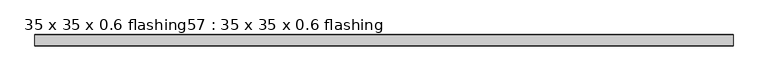
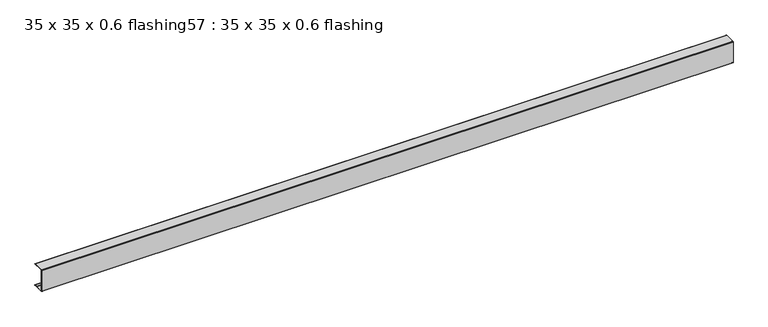
"""IFC4 building model written with IfcOpenShell, lengths in millimetres: proxy geometry, 35 x 35 x 0.6 flashing57 : 35 x 35 x 0.6 flashing."""

import ifcopenshell
import ifcopenshell.guid

model = None  # the IFC model being written
_history = None  # IfcOwnerHistory: only IFC2X3 demands one
_inside = {}  # id of a spatial element -> (the spatial element, [elements in it])
_under = {}  # id of a project, library or spatial element -> (it, [spatial elements below it])
_declared = {}  # id of a project -> (the project, [libraries it declares])
_typed = {}  # id of a type object -> (the type object, [elements of that type])
_made_of = {}  # id of a material, layer set ... -> (it, [elements and type objects made of it])


def new_model(schema):
    """Start an empty IFC model of exactly this schema.

    Asked for "IFC4X3", IfcOpenShell would pick the latest addendum, in which some entities
    have other attributes; the version numbers below select the first issue.
    IFC2X3 requires an IfcOwnerHistory on every rooted entity: one is made here for all.
    """
    global model, _history
    if schema == "IFC4X3":
        model = ifcopenshell.file(schema_version=(4, 3, 0, 0))
    else:
        model = ifcopenshell.file(schema=schema)
    _inside.clear()
    _under.clear()
    _declared.clear()
    _typed.clear()
    _made_of.clear()
    _history = None
    if model.schema == "IFC2X3":
        org = make("IfcOrganization", Name="unknown")
        user = make(
            "IfcPersonAndOrganization",
            ThePerson=make("IfcPerson", FamilyName="unknown"),
            TheOrganization=org,
        )
        app = make(
            "IfcApplication",
            ApplicationDeveloper=org,
            Version="unknown",
            ApplicationFullName="unknown",
            ApplicationIdentifier="unknown",
        )
        _history = make(
            "IfcOwnerHistory",
            OwningUser=user,
            OwningApplication=app,
            ChangeAction="ADDED",
            CreationDate=0,
        )
    return model


def make(cls, **values):
    """One entity of the class cls with the attributes given. An attribute that is None is left unset."""
    return model.create_entity(
        cls, **{name: value for name, value in values.items() if value is not None}
    )


def rooted(cls, **values):
    """An entity with a GlobalId (a new one), such as an element, a storey or a relation."""
    return make(cls, GlobalId=ifcopenshell.guid.new(), OwnerHistory=_history, **values)


def si_unit(unit_type, name, prefix=None):
    """IfcSIUnit, for example si_unit("LENGTHUNIT", "METRE", prefix="MILLI")."""
    return make("IfcSIUnit", UnitType=unit_type, Prefix=prefix, Name=name)


def assignment(units):
    """IfcUnitAssignment: the units of a project."""
    return None if units is None else make("IfcUnitAssignment", Units=units)


def point(xyz):
    """IfcCartesianPoint."""
    return None if xyz is None else make("IfcCartesianPoint", Coordinates=xyz)


def direction(xyz):
    """IfcDirection."""
    return None if xyz is None else make("IfcDirection", DirectionRatios=xyz)


def frame(location, z_axis=None, x_axis=None):
    """IfcAxis2Placement3D, a coordinate frame: its origin and axes. An axis left out is left unset."""
    return make(
        "IfcAxis2Placement3D",
        Location=point(location),
        Axis=direction(z_axis),
        RefDirection=direction(x_axis),
    )


def frame_2d(location, x_axis=None):
    """IfcAxis2Placement2D, a coordinate frame in the plane: its origin and x axis."""
    return make(
        "IfcAxis2Placement2D", Location=point(location), RefDirection=direction(x_axis)
    )


def origin():
    """The frame at (0, 0, 0) with its axes left unset."""
    return frame((0.0, 0.0, 0.0))


def place(relative_to, where):
    """IfcLocalPlacement: puts the frame where relative to a parent placement (None: the world)."""
    return make(
        "IfcLocalPlacement", PlacementRelTo=relative_to, RelativePlacement=where
    )


def context(
    kind, dimensions, precision=None, world=None, true_north=None, identifier=None
):
    """IfcGeometricRepresentationContext, for example the 3D "Model" context."""
    return make(
        "IfcGeometricRepresentationContext",
        ContextIdentifier=identifier,
        ContextType=kind,
        CoordinateSpaceDimension=dimensions,
        Precision=precision,
        WorldCoordinateSystem=world,
        TrueNorth=true_north,
    )


def project(units=None, contexts=None):
    """IfcProject with its units and contexts."""
    return rooted(
        "IfcProject",
        Name="project",
        RepresentationContexts=contexts,
        UnitsInContext=assignment(units),
    )


def spatial(cls, under=None, at=None, **own):
    """A site, building, storey or space (cls), placed at a placement, below another one or the project."""
    s = rooted(cls, ObjectPlacement=at, **own)
    if under is not None:
        _under.setdefault(under.id(), (under, []))[1].append(s)
    return s


def polyline(points):
    """IfcPolyline through the points."""
    return make("IfcPolyline", Points=[point(p) for p in points])


def circle_curve(where, radius):
    """IfcCircle in the frame where."""
    return make("IfcCircle", Position=where, Radius=radius)


def trimmed(basis, trim1, trim2, sense, master):
    """IfcTrimmedCurve: the piece of a basis curve between two trims."""
    return make(
        "IfcTrimmedCurve",
        BasisCurve=basis,
        Trim1=trim1,
        Trim2=trim2,
        SenseAgreement=sense,
        MasterRepresentation=master,
    )


def segment(curve, same_sense, transition):
    """IfcCompositeCurveSegment."""
    return make(
        "IfcCompositeCurveSegment",
        Transition=transition,
        SameSense=same_sense,
        ParentCurve=curve,
    )


def composite_curve(segments, self_intersect=None):
    """IfcCompositeCurve: segments joined end to end."""
    return make("IfcCompositeCurve", Segments=segments, SelfIntersect=self_intersect)


def outline(outer, holes=None, kind="AREA"):
    """IfcArbitraryClosedProfileDef: a profile drawn as a closed curve; with holes, ...WithVoids."""
    if holes is None:
        return make("IfcArbitraryClosedProfileDef", ProfileType=kind, OuterCurve=outer)
    return make(
        "IfcArbitraryProfileDefWithVoids",
        ProfileType=kind,
        OuterCurve=outer,
        InnerCurves=holes,
    )


def extrude(swept, where, along, depth):
    """IfcExtrudedAreaSolid: the profile swept, set in the frame where, extruded along a direction by depth."""
    return make(
        "IfcExtrudedAreaSolid",
        SweptArea=swept,
        Position=where,
        ExtrudedDirection=direction(along),
        Depth=depth,
    )


def shape(context_of_items, identifier, shape_type, items):
    """IfcShapeRepresentation: the items that make up one representation, for example the "Body"."""
    return make(
        "IfcShapeRepresentation",
        ContextOfItems=context_of_items,
        RepresentationIdentifier=identifier,
        RepresentationType=shape_type,
        Items=items,
    )


def source(mapping_origin, context_of_items, identifier, shape_type, items):
    """IfcRepresentationMap: a shape defined once, which mapped items show again and again."""
    return make(
        "IfcRepresentationMap",
        MappingOrigin=mapping_origin,
        MappedRepresentation=shape(context_of_items, identifier, shape_type, items),
    )


def transform(
    local_origin,
    x_axis=None,
    y_axis=None,
    z_axis=None,
    scale=None,
    scale2=None,
    scale3=None,
    uniform=True,
):
    """IfcCartesianTransformationOperator3D, or its non-uniform kind. x_axis, y_axis, z_axis: its Axis1, 2, 3."""
    if uniform:
        return make(
            "IfcCartesianTransformationOperator3D",
            Axis1=direction(x_axis),
            Axis2=direction(y_axis),
            LocalOrigin=point(local_origin),
            Scale=scale,
            Axis3=direction(z_axis),
        )
    return make(
        "IfcCartesianTransformationOperator3DnonUniform",
        Axis1=direction(x_axis),
        Axis2=direction(y_axis),
        LocalOrigin=point(local_origin),
        Scale=scale,
        Axis3=direction(z_axis),
        Scale2=scale2,
        Scale3=scale3,
    )


def mapped(mapping_source, mapping_target):
    """IfcMappedItem: shows the shape of a source again, moved by a transform."""
    return make(
        "IfcMappedItem", MappingSource=mapping_source, MappingTarget=mapping_target
    )


def made_of(thing, what):
    """Note that an element or type object is made of a material, layer set ...; save() writes the relation."""
    if what is not None:
        _made_of.setdefault(what.id(), (what, []))[1].append(thing)
    return thing


def element(
    cls,
    number,
    at=None,
    inside=None,
    cuts=None,
    type_object=None,
    material=None,
    context=None,
    identifier="Body",
    shape_type=None,
    held_by="IfcProductDefinitionShape",
    body=None,
    shapes=None,
    **own,
):
    """One element of the class cls, such as IfcWall. Its Tag is "e" and its number.

    at: its placement. inside: the storey or other place that contains it. cuts: it is an
    opening in that element (IfcRelVoidsElement). A single representation is given by context,
    identifier, shape_type and body (its items); several are given by shapes. held_by: the class
    of the entity that holds the representations. save() writes the other relations.
    """
    e = rooted(cls, Tag="e%d" % number, ObjectPlacement=at, **own)
    if body is not None:
        shapes = [shape(context, identifier, shape_type, body)]
    if shapes is not None:
        e.Representation = make(held_by, Representations=shapes)
    if inside is not None:
        _inside.setdefault(inside.id(), (inside, []))[1].append(e)
    if cuts is not None:
        rooted(
            "IfcRelVoidsElement", RelatingBuildingElement=cuts, RelatedOpeningElement=e
        )
    if type_object is not None:
        _typed.setdefault(type_object.id(), (type_object, []))[1].append(e)
    return made_of(e, material)


def aggregate(whole, parts):
    """IfcRelAggregates: a whole, such as a stair, and the parts it consists of."""
    return rooted("IfcRelAggregates", RelatingObject=whole, RelatedObjects=parts)


def save(model, path):
    """Write the relations noted so far, then the file.

    IfcRelAggregates (storeys below a building ...), IfcRelContainedInSpatialStructure (elements
    in a storey), IfcRelDefinesByType, IfcRelAssociatesMaterial and IfcRelDeclares: one each for
    every whole, place, type object, material and project.
    """
    for whole, parts in _under.values():
        aggregate(whole, parts)
    for where, things in _inside.values():
        rooted(
            "IfcRelContainedInSpatialStructure",
            RelatedElements=things,
            RelatingStructure=where,
        )
    for kind, things in _typed.values():
        rooted("IfcRelDefinesByType", RelatedObjects=things, RelatingType=kind)
    for what, things in _made_of.values():
        rooted("IfcRelAssociatesMaterial", RelatedObjects=things, RelatingMaterial=what)
    for by, libraries in _declared.values():
        rooted("IfcRelDeclares", RelatingContext=by, RelatedDefinitions=libraries)
    model.write(path)


def proxy_35_x_35_x_0_6_flashing57_35_x_35_x_0_6_flashing_ed18dcc5(model_context):
    return source(origin(), model_context, "Body", "SweptSolid", [
        extrude(outline(composite_curve([segment(trimmed(circle_curve(frame_2d((-18791.2053411, 1527.3887139)), 1.0), [point((-18791.2053411, 1528.3887139))], [point((-18791.2053411, 1526.3887139))], False, "CARTESIAN"), True, "CONTINUOUS"), segment(polyline([(-18791.2053411, 1526.3887139), (-18800.2071252, 1526.3887139), (-18800.2071252, 1527.3887139), (-18827.7053411, 1527.3887139)]), True, "CONTINUOUS"), segment(trimmed(circle_curve(frame_2d((-18827.7053411, 1525.8887139)), 1.5), [point((-18827.7053411, 1527.3887139))], [point((-18829.2053411, 1525.8887139))], True, "CARTESIAN"), True, "CONTINUOUS"), segment(polyline([(-18829.2053411, 1525.8887139), (-18829.2053411, 1450.8887139)]), True, "CONTINUOUS"), segment(trimmed(circle_curve(frame_2d((-18827.7053411, 1450.8887139)), 1.5), [point((-18829.2053411, 1450.8887139))], [point((-18827.7053411, 1449.3887139))], True, "CARTESIAN"), True, "CONTINUOUS"), segment(polyline([(-18827.7053411, 1449.3887139), (-18800.2071252, 1449.3887139), (-18800.2071252, 1450.3887139), (-18791.2053411, 1450.3887139)]), True, "CONTINUOUS"), segment(trimmed(circle_curve(frame_2d((-18791.2053411, 1449.3887139)), 1.0), [point((-18791.2053411, 1450.3887139))], [point((-18791.2053411, 1448.3887139))], False, "CARTESIAN"), True, "CONTINUOUS"), segment(polyline([(-18791.2053411, 1448.3887139), (-18827.7053411, 1448.3887139)]), True, "CONTINUOUS"), segment(trimmed(circle_curve(frame_2d((-18827.7053411, 1450.8887139)), 2.5), [point((-18827.7053411, 1448.3887139))], [point((-18830.2053411, 1450.8887139))], False, "CARTESIAN"), True, "CONTINUOUS"), segment(polyline([(-18830.2053411, 1450.8887139), (-18830.2053411, 1525.8887139)]), True, "CONTINUOUS"), segment(trimmed(circle_curve(frame_2d((-18827.7053411, 1525.8887139)), 2.5), [point((-18830.2053411, 1525.8887139))], [point((-18827.7053411, 1528.3887139))], False, "CARTESIAN"), True, "CONTINUOUS"), segment(polyline([(-18827.7053411, 1528.3887139), (-18791.2053411, 1528.3887139)]), True, "CONTINUOUS")], self_intersect=False)), frame((1587.3130766, 0.0, 0.0), z_axis=(1.0, 0.0, 0.0), x_axis=(0.0, 1.0, 0.0)), (0.0, 0.0, 1.0), 2410.6438934),
    ])


if __name__ == "__main__":
    model = new_model("IFC4")
    model_context = context("Model", 3, world=origin())
    ifc_project = project(units=[si_unit("LENGTHUNIT", "METRE", prefix="MILLI")], contexts=[model_context])
    site = spatial("IfcSite", under=ifc_project)
    building = spatial("IfcBuilding", under=site)
    placement = place(None, origin())
    proxy_35_x_35_x_0_6_flashing57_35_x_35_x_0_6_flashing_shape = proxy_35_x_35_x_0_6_flashing57_35_x_35_x_0_6_flashing_ed18dcc5(model_context)
    element("IfcBuildingElementProxy", 1, Name="35 x 35 x 0.6 flashing57 : 35 x 35 x 0.6 flashing", ObjectType="35 x 35 x 0.6 flashing57 : 35 x 35 x 0.6 flashing", at=placement, inside=building, context=model_context, shape_type="MappedRepresentation", body=[
        mapped(proxy_35_x_35_x_0_6_flashing57_35_x_35_x_0_6_flashing_shape, transform((0.0, 0.0, 0.0), x_axis=(1.0, 0.0, 0.0), y_axis=(0.0, 1.0, 0.0), z_axis=(0.0, 0.0, 1.0))),
    ])
    save(model, "model.ifc")
